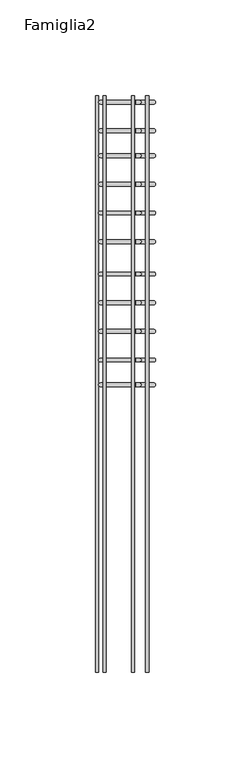
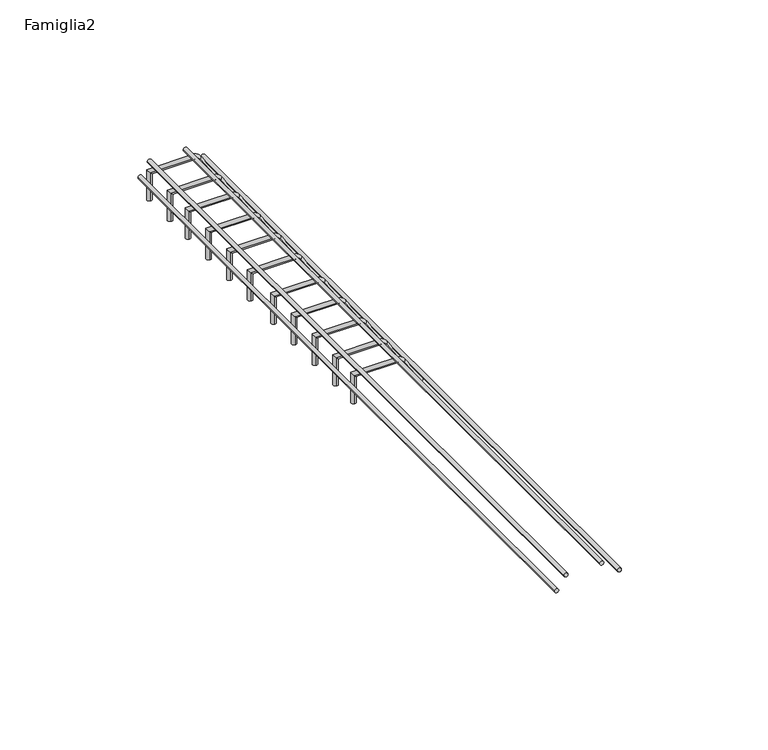
"""IFC4 building model written with IfcOpenShell, lengths in millimetres: proxy geometry, Famiglia2."""

from ifc_helpers import new_model, si_unit, point, frame, frame_2d, origin, place, context, project, spatial, circle_curve, ellipse_curve, trimmed, segment, composite_curve, outline, extrude, source, transform, mapped, element, save
from ifc_brep_helpers import plane_surface, cylinder_surface, revolved_surface, advanced_brep


def famiglia2_f5a93794(model_context):
    return source(origin(), model_context, "Body", "SolidModel", [
        extrude(outline(composite_curve([segment(trimmed(circle_curve(frame_2d((14.1375712, -11.9652947)), 0.8513861), [point((14.1375712, -12.8166808))], [point((14.1375712, -11.1139086))], False, "CARTESIAN"), True, "CONTINUOUS"), segment(trimmed(circle_curve(frame_2d((14.1375712, -11.9652947)), 0.8513861), [point((14.1375712, -11.1139086))], [point((14.1375712, -12.8166808))], False, "CARTESIAN"), True, "CONTINUOUS")], self_intersect=False)), frame((0.0, -2.5075389, 0.0), z_axis=(0.0, 1.0, 0.0), x_axis=(0.0, 0.0, 1.0)), (0.0, 0.0, 1.0), 301.9488903),
        extrude(outline(composite_curve([segment(trimmed(circle_curve(frame_2d((14.1375712, 3.0347053)), 0.8513861), [point((14.1375712, 2.1833192))], [point((14.1375712, 3.8860914))], False, "CARTESIAN"), True, "CONTINUOUS"), segment(trimmed(circle_curve(frame_2d((14.1375712, 3.0347053)), 0.8513861), [point((14.1375712, 3.8860914))], [point((14.1375712, 2.1833192))], False, "CARTESIAN"), True, "CONTINUOUS")], self_intersect=False)), frame((0.0, -2.5075389, 0.0), z_axis=(0.0, 1.0, 0.0), x_axis=(0.0, 0.0, 1.0)), (0.0, 0.0, 1.0), 301.9488903),
        extrude(outline(composite_curve([segment(trimmed(circle_curve(frame_2d((8.5107405, -15.905244)), 0.8513861), [point((8.5107405, -16.7566301))], [point((8.5107405, -15.0538579))], False, "CARTESIAN"), True, "CONTINUOUS"), segment(trimmed(circle_curve(frame_2d((8.5107405, -15.905244)), 0.8513861), [point((8.5107405, -15.0538579))], [point((8.5107405, -16.7566301))], False, "CARTESIAN"), True, "CONTINUOUS")], self_intersect=False)), frame((0.0, -2.5075389, 0.0), z_axis=(0.0, 1.0, 0.0), x_axis=(0.0, 0.0, 1.0)), (0.0, 0.0, 1.0), 301.9488903),
        extrude(outline(composite_curve([segment(trimmed(circle_curve(frame_2d((8.5107405, 10.4066697)), 0.8513861), [point((8.5107405, 9.5552836))], [point((8.5107405, 11.2580558))], False, "CARTESIAN"), True, "CONTINUOUS"), segment(trimmed(circle_curve(frame_2d((8.5107405, 10.4066697)), 0.8513861), [point((8.5107405, 11.2580558))], [point((8.5107405, 9.5552836))], False, "CARTESIAN"), True, "CONTINUOUS")], self_intersect=False)), frame((0.0, -2.5075389, 0.0), z_axis=(0.0, 1.0, 0.0), x_axis=(0.0, 0.0, 1.0)), (0.0, 0.0, 1.0), 301.9488903),
        advanced_brep(
        [(13.9971981, 295.0, 0.0), (13.9971981, 297.0, 0.0), (6.7445163, 295.0, 11.0041321), (6.7445163, 297.0, 11.0041321), (4.4589386, 297.0, 12.3239266), (4.4589386, 295.0, 12.3239266), (-13.9971981, 295.0, 12.3239266), (-13.9971981, 297.0, 12.3239266), (-13.9971981, 295.0, 0.0), (-13.9971981, 297.0, 0.0)],
        [
            (0, 1, circle_curve(frame((13.9971981, 296.0, 0.0), z_axis=(0.5503111593237686, 0.0, -0.834959656464748), x_axis=(0.0, 1.0, 0.0)), 1.0)),
            (1, 0, circle_curve(frame((13.9971981, 296.0, 0.0), z_axis=(0.5503111593237686, 0.0, -0.834959656464748), x_axis=(0.0, 1.0, 0.0)), 1.0)),
            (0, 2),
            (2, 3, circle_curve(frame((6.7445163, 296.0, 11.0041321), z_axis=(0.5503111593237686, 0.0, -0.834959656464748), x_axis=(0.0, 1.0, 0.0)), 1.0)),
            (3, 1),
            (3, 2, circle_curve(frame((6.7445163, 296.0, 11.0041321), z_axis=(0.5503111593237686, 0.0, -0.834959656464748), x_axis=(0.0, 1.0, 0.0)), 1.0)),
            (4, 3, circle_curve(frame((4.2843786, 297.0, 9.382687), z_axis=(0.0, 1.0, 0.0), x_axis=(0.8349596564647481, 0.0, 0.5503111593237683)), 2.9464151)),
            (2, 5, circle_curve(frame((4.2843786, 295.0, 9.382687), z_axis=(0.0, -1.0, 0.0), x_axis=(0.8349596564647481, 0.0, 0.5503111593237683)), 2.9464151)),
            (5, 4, circle_curve(frame((4.4589386, 296.0, 12.3239266), z_axis=(0.9982434781782655, 0.0, -0.0592449008317088), x_axis=(0.0, 1.0, 0.0)), 1.0)),
            (4, 5, circle_curve(frame((4.4589386, 296.0, 12.3239266), z_axis=(0.9982434781782653, 0.0, -0.05924490083170941), x_axis=(0.0, 1.0, 0.0)), 1.0)),
            (5, 6),
            (6, 7, ellipse_curve(frame((-13.9971981, 296.0, 12.3239266), z_axis=(0.7071067811865486, 0.0, 0.7071067811865465), x_axis=(0.7071067811865466, 0.0, -0.7071067811865485)), 1.4142136, 1.0)),
            (7, 4),
            (7, 6, ellipse_curve(frame((-13.9971981, 296.0, 12.3239266), z_axis=(0.7071067811865486, 0.0, 0.7071067811865465), x_axis=(0.7071067811865466, 0.0, -0.7071067811865485)), 1.4142136, 1.0)),
            (8, 9, circle_curve(frame((-13.9971981, 296.0, 0.0), z_axis=(0.0, 0.0, -1.0), x_axis=(0.0, 1.0, 0.0)), 1.0)),
            (9, 8, circle_curve(frame((-13.9971981, 296.0, 0.0), z_axis=(0.0, 0.0, -1.0), x_axis=(0.0, 1.0, 0.0)), 1.0)),
            (6, 8),
            (9, 7),
        ],
        [
            plane_surface(frame((13.9971981, 296.0, 0.0), z_axis=(0.5503111593237686, 0.0, -0.834959656464748), x_axis=(0.0, -1.0, 0.0))),
            cylinder_surface(frame((13.9971981, 296.0, 0.0), z_axis=(0.5503111593237686, 0.0, -0.834959656464748), x_axis=(0.0, 1.0, 0.0)), 1.0),
            revolved_surface(trimmed(ellipse_curve(frame((6.7445163, 296.0, 11.0041321), z_axis=(0.5503111593237683, 0.0, -0.8349596564647481), x_axis=(0.0, 1.0, 0.0)), 1.0, 1.0), [point((6.7445163, 295.0, 11.0041321))], [point((6.7445163, 297.0, 11.0041321))], True, "CARTESIAN"), (4.2843786, 296.0, 9.382687), (0.0, -1.0, 0.0)),
            revolved_surface(trimmed(ellipse_curve(frame((6.7445163, 296.0, 11.0041321), z_axis=(0.5503111593237683, 0.0, -0.8349596564647481), x_axis=(0.0, 1.0, 0.0)), 1.0, 1.0), [point((6.7445163, 297.0, 11.0041321))], [point((6.7445163, 295.0, 11.0041321))], True, "CARTESIAN"), (4.2843786, 296.0, 9.382687), (0.0, -1.0, 0.0)),
            cylinder_surface(frame((4.4589386, 296.0, 12.3239266), z_axis=(1.0, 0.0, 0.0), x_axis=(0.0, 1.0, 0.0)), 1.0),
            plane_surface(frame((-13.9971981, 296.0, 0.0), z_axis=(0.0, 0.0, -1.0), x_axis=(0.0, -1.0, 0.0))),
            cylinder_surface(frame((-13.9971981, 296.0, 12.3239266), z_axis=(0.0, 0.0, 1.0), x_axis=(0.0, 1.0, 0.0)), 1.0),
        ],
        [
            (0, [[1, 2]]),
            (1, [[-1, 3, 4, 5]]),
            (1, [[-2, -5, 6, -3]]),
            (2, [[7, -4, 8, 9]]),
            (3, [[-8, -6, -7, 10]]),
            (4, [[-9, 11, 12, 13]]),
            (4, [[-10, -13, 14, -11]]),
            (5, [[15, 16]]),
            (6, [[-12, 17, -16, 18]]),
            (6, [[-14, -18, -15, -17]]),
        ],
    ),
        advanced_brep(
        [(13.9971981, 280.0, 0.0), (13.9971981, 282.0, 0.0), (6.7445163, 280.0, 11.0041321), (6.7445163, 282.0, 11.0041321), (4.4589386, 282.0, 12.3239266), (4.4589386, 280.0, 12.3239266), (-13.9971981, 280.0, 12.3239266), (-13.9971981, 282.0, 12.3239266), (-13.9971981, 280.0, 0.0), (-13.9971981, 282.0, 0.0)],
        [
            (0, 1, circle_curve(frame((13.9971981, 281.0, 0.0), z_axis=(0.5503111593237686, 0.0, -0.834959656464748), x_axis=(0.0, 1.0, 0.0)), 1.0)),
            (1, 0, circle_curve(frame((13.9971981, 281.0, 0.0), z_axis=(0.5503111593237686, 0.0, -0.834959656464748), x_axis=(0.0, 1.0, 0.0)), 1.0)),
            (0, 2),
            (2, 3, circle_curve(frame((6.7445163, 281.0, 11.0041321), z_axis=(0.5503111593237686, 0.0, -0.834959656464748), x_axis=(0.0, 1.0, 0.0)), 1.0)),
            (3, 1),
            (3, 2, circle_curve(frame((6.7445163, 281.0, 11.0041321), z_axis=(0.5503111593237686, 0.0, -0.834959656464748), x_axis=(0.0, 1.0, 0.0)), 1.0)),
            (4, 3, circle_curve(frame((4.2843786, 282.0, 9.382687), z_axis=(0.0, 1.0, 0.0), x_axis=(0.8349596564647481, 0.0, 0.5503111593237683)), 2.9464151)),
            (2, 5, circle_curve(frame((4.2843786, 280.0, 9.382687), z_axis=(0.0, -1.0, 0.0), x_axis=(0.8349596564647481, 0.0, 0.5503111593237683)), 2.9464151)),
            (5, 4, circle_curve(frame((4.4589386, 281.0, 12.3239266), z_axis=(0.9982434781782654, 0.0, -0.0592449008317083), x_axis=(0.0, 1.0, 0.0)), 1.0)),
            (4, 5, circle_curve(frame((4.4589386, 281.0, 12.3239266), z_axis=(0.9982434781782654, 0.0, -0.059244900831709246), x_axis=(0.0, 1.0, 0.0)), 1.0)),
            (5, 6),
            (6, 7, ellipse_curve(frame((-13.9971981, 281.0, 12.3239266), z_axis=(0.7071067811865486, 0.0, 0.7071067811865465), x_axis=(0.7071067811865466, 0.0, -0.7071067811865485)), 1.4142136, 1.0)),
            (7, 4),
            (7, 6, ellipse_curve(frame((-13.9971981, 281.0, 12.3239266), z_axis=(0.7071067811865486, 0.0, 0.7071067811865465), x_axis=(0.7071067811865466, 0.0, -0.7071067811865485)), 1.4142136, 1.0)),
            (8, 9, circle_curve(frame((-13.9971981, 281.0, 0.0), z_axis=(0.0, 0.0, -1.0), x_axis=(0.0, 1.0, 0.0)), 1.0)),
            (9, 8, circle_curve(frame((-13.9971981, 281.0, 0.0), z_axis=(0.0, 0.0, -1.0), x_axis=(0.0, 1.0, 0.0)), 1.0)),
            (6, 8),
            (9, 7),
        ],
        [
            plane_surface(frame((13.9971981, 281.0, 0.0), z_axis=(0.5503111593237686, 0.0, -0.834959656464748), x_axis=(0.0, -1.0, 0.0))),
            cylinder_surface(frame((13.9971981, 281.0, 0.0), z_axis=(0.5503111593237686, 0.0, -0.834959656464748), x_axis=(0.0, 1.0, 0.0)), 1.0),
            revolved_surface(trimmed(ellipse_curve(frame((6.7445163, 281.0, 11.0041321), z_axis=(0.5503111593237683, 0.0, -0.8349596564647481), x_axis=(0.0, 1.0, 0.0)), 1.0, 1.0), [point((6.7445163, 280.0, 11.0041321))], [point((6.7445163, 282.0, 11.0041321))], True, "CARTESIAN"), (4.2843786, 281.0, 9.382687), (0.0, -1.0, 0.0)),
            revolved_surface(trimmed(ellipse_curve(frame((6.7445163, 281.0, 11.0041321), z_axis=(0.5503111593237683, 0.0, -0.8349596564647481), x_axis=(0.0, 1.0, 0.0)), 1.0, 1.0), [point((6.7445163, 282.0, 11.0041321))], [point((6.7445163, 280.0, 11.0041321))], True, "CARTESIAN"), (4.2843786, 281.0, 9.382687), (0.0, -1.0, 0.0)),
            cylinder_surface(frame((4.4589386, 281.0, 12.3239266), z_axis=(1.0, 0.0, 0.0), x_axis=(0.0, 1.0, 0.0)), 1.0),
            plane_surface(frame((-13.9971981, 281.0, 0.0), z_axis=(0.0, 0.0, -1.0), x_axis=(0.0, -1.0, 0.0))),
            cylinder_surface(frame((-13.9971981, 281.0, 12.3239266), z_axis=(0.0, 0.0, 1.0), x_axis=(0.0, 1.0, 0.0)), 1.0),
        ],
        [
            (0, [[1, 2]]),
            (1, [[-1, 3, 4, 5]]),
            (1, [[-2, -5, 6, -3]]),
            (2, [[7, -4, 8, 9]]),
            (3, [[-8, -6, -7, 10]]),
            (4, [[-9, 11, 12, 13]]),
            (4, [[-10, -13, 14, -11]]),
            (5, [[15, 16]]),
            (6, [[-12, 17, -16, 18]]),
            (6, [[-14, -18, -15, -17]]),
        ],
    ),
        advanced_brep(
        [(13.9971981, 267.0, 0.0), (13.9971981, 269.0, 0.0), (6.7445163, 267.0, 11.0041321), (6.7445163, 269.0, 11.0041321), (4.4589386, 269.0, 12.3239266), (4.4589386, 267.0, 12.3239266), (-13.9971981, 267.0, 12.3239266), (-13.9971981, 269.0, 12.3239266), (-13.9971981, 267.0, 0.0), (-13.9971981, 269.0, 0.0)],
        [
            (0, 1, circle_curve(frame((13.9971981, 268.0, 0.0), z_axis=(0.5503111593237686, 0.0, -0.834959656464748), x_axis=(0.0, 1.0, 0.0)), 1.0)),
            (1, 0, circle_curve(frame((13.9971981, 268.0, 0.0), z_axis=(0.5503111593237686, 0.0, -0.834959656464748), x_axis=(0.0, 1.0, 0.0)), 1.0)),
            (0, 2),
            (2, 3, circle_curve(frame((6.7445163, 268.0, 11.0041321), z_axis=(0.5503111593237686, 0.0, -0.834959656464748), x_axis=(0.0, 1.0, 0.0)), 1.0)),
            (3, 1),
            (3, 2, circle_curve(frame((6.7445163, 268.0, 11.0041321), z_axis=(0.5503111593237686, 0.0, -0.834959656464748), x_axis=(0.0, 1.0, 0.0)), 1.0)),
            (4, 3, circle_curve(frame((4.2843786, 269.0, 9.382687), z_axis=(0.0, 1.0, 0.0), x_axis=(0.8349596564647481, 0.0, 0.5503111593237683)), 2.9464151)),
            (2, 5, circle_curve(frame((4.2843786, 267.0, 9.382687), z_axis=(0.0, -1.0, 0.0), x_axis=(0.8349596564647481, 0.0, 0.5503111593237683)), 2.9464151)),
            (5, 4, circle_curve(frame((4.4589386, 268.0, 12.3239266), z_axis=(0.9982434781782655, 0.0, -0.0592449008317088), x_axis=(0.0, 1.0, 0.0)), 1.0)),
            (4, 5, circle_curve(frame((4.4589386, 268.0, 12.3239266), z_axis=(0.9982434781782653, 0.0, -0.05924490083170941), x_axis=(0.0, 1.0, 0.0)), 1.0)),
            (5, 6),
            (6, 7, ellipse_curve(frame((-13.9971981, 268.0, 12.3239266), z_axis=(0.7071067811865486, 0.0, 0.7071067811865465), x_axis=(0.7071067811865466, 0.0, -0.7071067811865485)), 1.4142136, 1.0)),
            (7, 4),
            (7, 6, ellipse_curve(frame((-13.9971981, 268.0, 12.3239266), z_axis=(0.7071067811865486, 0.0, 0.7071067811865465), x_axis=(0.7071067811865466, 0.0, -0.7071067811865485)), 1.4142136, 1.0)),
            (8, 9, circle_curve(frame((-13.9971981, 268.0, 0.0), z_axis=(0.0, 0.0, -1.0), x_axis=(0.0, 1.0, 0.0)), 1.0)),
            (9, 8, circle_curve(frame((-13.9971981, 268.0, 0.0), z_axis=(0.0, 0.0, -1.0), x_axis=(0.0, 1.0, 0.0)), 1.0)),
            (6, 8),
            (9, 7),
        ],
        [
            plane_surface(frame((13.9971981, 268.0, 0.0), z_axis=(0.5503111593237686, 0.0, -0.834959656464748), x_axis=(0.0, -1.0, 0.0))),
            cylinder_surface(frame((13.9971981, 268.0, 0.0), z_axis=(0.5503111593237686, 0.0, -0.834959656464748), x_axis=(0.0, 1.0, 0.0)), 1.0),
            revolved_surface(trimmed(ellipse_curve(frame((6.7445163, 268.0, 11.0041321), z_axis=(0.5503111593237683, 0.0, -0.8349596564647481), x_axis=(0.0, 1.0, 0.0)), 1.0, 1.0), [point((6.7445163, 267.0, 11.0041321))], [point((6.7445163, 269.0, 11.0041321))], True, "CARTESIAN"), (4.2843786, 268.0, 9.382687), (0.0, -1.0, 0.0)),
            revolved_surface(trimmed(ellipse_curve(frame((6.7445163, 268.0, 11.0041321), z_axis=(0.5503111593237683, 0.0, -0.8349596564647481), x_axis=(0.0, 1.0, 0.0)), 1.0, 1.0), [point((6.7445163, 269.0, 11.0041321))], [point((6.7445163, 267.0, 11.0041321))], True, "CARTESIAN"), (4.2843786, 268.0, 9.382687), (0.0, -1.0, 0.0)),
            cylinder_surface(frame((4.4589386, 268.0, 12.3239266), z_axis=(1.0, 0.0, 0.0), x_axis=(0.0, 1.0, 0.0)), 1.0),
            plane_surface(frame((-13.9971981, 268.0, 0.0), z_axis=(0.0, 0.0, -1.0), x_axis=(0.0, -1.0, 0.0))),
            cylinder_surface(frame((-13.9971981, 268.0, 12.3239266), z_axis=(0.0, 0.0, 1.0), x_axis=(0.0, 1.0, 0.0)), 1.0),
        ],
        [
            (0, [[1, 2]]),
            (1, [[-1, 3, 4, 5]]),
            (1, [[-2, -5, 6, -3]]),
            (2, [[7, -4, 8, 9]]),
            (3, [[-8, -6, -7, 10]]),
            (4, [[-9, 11, 12, 13]]),
            (4, [[-10, -13, 14, -11]]),
            (5, [[15, 16]]),
            (6, [[-12, 17, -16, 18]]),
            (6, [[-14, -18, -15, -17]]),
        ],
    ),
        advanced_brep(
        [(13.9971981, 252.0, 0.0), (13.9971981, 254.0, 0.0), (6.7445163, 252.0, 11.0041321), (6.7445163, 254.0, 11.0041321), (4.4589386, 254.0, 12.3239266), (4.4589386, 252.0, 12.3239266), (-13.9971981, 252.0, 12.3239266), (-13.9971981, 254.0, 12.3239266), (-13.9971981, 252.0, 0.0), (-13.9971981, 254.0, 0.0)],
        [
            (0, 1, circle_curve(frame((13.9971981, 253.0, 0.0), z_axis=(0.5503111593237686, 0.0, -0.834959656464748), x_axis=(0.0, 1.0, 0.0)), 1.0)),
            (1, 0, circle_curve(frame((13.9971981, 253.0, 0.0), z_axis=(0.5503111593237686, 0.0, -0.834959656464748), x_axis=(0.0, 1.0, 0.0)), 1.0)),
            (0, 2),
            (2, 3, circle_curve(frame((6.7445163, 253.0, 11.0041321), z_axis=(0.5503111593237686, 0.0, -0.834959656464748), x_axis=(0.0, 1.0, 0.0)), 1.0)),
            (3, 1),
            (3, 2, circle_curve(frame((6.7445163, 253.0, 11.0041321), z_axis=(0.5503111593237686, 0.0, -0.834959656464748), x_axis=(0.0, 1.0, 0.0)), 1.0)),
            (4, 3, circle_curve(frame((4.2843786, 254.0, 9.382687), z_axis=(0.0, 1.0, 0.0), x_axis=(0.8349596564647481, 0.0, 0.5503111593237683)), 2.9464151)),
            (2, 5, circle_curve(frame((4.2843786, 252.0, 9.382687), z_axis=(0.0, -1.0, 0.0), x_axis=(0.8349596564647481, 0.0, 0.5503111593237683)), 2.9464151)),
            (5, 4, circle_curve(frame((4.4589386, 253.0, 12.3239266), z_axis=(0.9982434781782654, 0.0, -0.05924490083170869), x_axis=(0.0, 1.0, 0.0)), 1.0)),
            (4, 5, circle_curve(frame((4.4589386, 253.0, 12.3239266), z_axis=(0.9982434781782654, 0.0, -0.059244900831709246), x_axis=(0.0, 1.0, 0.0)), 1.0)),
            (5, 6),
            (6, 7, ellipse_curve(frame((-13.9971981, 253.0, 12.3239266), z_axis=(0.7071067811865486, 0.0, 0.7071067811865465), x_axis=(0.7071067811865466, 0.0, -0.7071067811865485)), 1.4142136, 1.0)),
            (7, 4),
            (7, 6, ellipse_curve(frame((-13.9971981, 253.0, 12.3239266), z_axis=(0.7071067811865486, 0.0, 0.7071067811865465), x_axis=(0.7071067811865466, 0.0, -0.7071067811865485)), 1.4142136, 1.0)),
            (8, 9, circle_curve(frame((-13.9971981, 253.0, 0.0), z_axis=(0.0, 0.0, -1.0), x_axis=(0.0, 1.0, 0.0)), 1.0)),
            (9, 8, circle_curve(frame((-13.9971981, 253.0, 0.0), z_axis=(0.0, 0.0, -1.0), x_axis=(0.0, 1.0, 0.0)), 1.0)),
            (6, 8),
            (9, 7),
        ],
        [
            plane_surface(frame((13.9971981, 253.0, 0.0), z_axis=(0.5503111593237686, 0.0, -0.834959656464748), x_axis=(0.0, -1.0, 0.0))),
            cylinder_surface(frame((13.9971981, 253.0, 0.0), z_axis=(0.5503111593237686, 0.0, -0.834959656464748), x_axis=(0.0, 1.0, 0.0)), 1.0),
            revolved_surface(trimmed(ellipse_curve(frame((6.7445163, 253.0, 11.0041321), z_axis=(0.5503111593237683, 0.0, -0.8349596564647481), x_axis=(0.0, 1.0, 0.0)), 1.0, 1.0), [point((6.7445163, 252.0, 11.0041321))], [point((6.7445163, 254.0, 11.0041321))], True, "CARTESIAN"), (4.2843786, 253.0, 9.382687), (0.0, -1.0, 0.0)),
            revolved_surface(trimmed(ellipse_curve(frame((6.7445163, 253.0, 11.0041321), z_axis=(0.5503111593237683, 0.0, -0.8349596564647481), x_axis=(0.0, 1.0, 0.0)), 1.0, 1.0), [point((6.7445163, 254.0, 11.0041321))], [point((6.7445163, 252.0, 11.0041321))], True, "CARTESIAN"), (4.2843786, 253.0, 9.382687), (0.0, -1.0, 0.0)),
            cylinder_surface(frame((4.4589386, 253.0, 12.3239266), z_axis=(1.0, 0.0, 0.0), x_axis=(0.0, 1.0, 0.0)), 1.0),
            plane_surface(frame((-13.9971981, 253.0, 0.0), z_axis=(0.0, 0.0, -1.0), x_axis=(0.0, -1.0, 0.0))),
            cylinder_surface(frame((-13.9971981, 253.0, 12.3239266), z_axis=(0.0, 0.0, 1.0), x_axis=(0.0, 1.0, 0.0)), 1.0),
        ],
        [
            (0, [[1, 2]]),
            (1, [[-1, 3, 4, 5]]),
            (1, [[-2, -5, 6, -3]]),
            (2, [[7, -4, 8, 9]]),
            (3, [[-8, -6, -7, 10]]),
            (4, [[-9, 11, 12, 13]]),
            (4, [[-10, -13, 14, -11]]),
            (5, [[15, 16]]),
            (6, [[-12, 17, -16, 18]]),
            (6, [[-14, -18, -15, -17]]),
        ],
    ),
        advanced_brep(
        [(13.9971981, 237.0, 0.0), (13.9971981, 239.0, 0.0), (6.7445163, 237.0, 11.0041321), (6.7445163, 239.0, 11.0041321), (4.4589386, 239.0, 12.3239266), (4.4589386, 237.0, 12.3239266), (-13.9971981, 237.0, 12.3239266), (-13.9971981, 239.0, 12.3239266), (-13.9971981, 237.0, 0.0), (-13.9971981, 239.0, 0.0)],
        [
            (0, 1, circle_curve(frame((13.9971981, 238.0, 0.0), z_axis=(0.5503111593237686, 0.0, -0.834959656464748), x_axis=(0.0, 1.0, 0.0)), 1.0)),
            (1, 0, circle_curve(frame((13.9971981, 238.0, 0.0), z_axis=(0.5503111593237686, 0.0, -0.834959656464748), x_axis=(0.0, 1.0, 0.0)), 1.0)),
            (0, 2),
            (2, 3, circle_curve(frame((6.7445163, 238.0, 11.0041321), z_axis=(0.5503111593237686, 0.0, -0.834959656464748), x_axis=(0.0, 1.0, 0.0)), 1.0)),
            (3, 1),
            (3, 2, circle_curve(frame((6.7445163, 238.0, 11.0041321), z_axis=(0.5503111593237686, 0.0, -0.834959656464748), x_axis=(0.0, 1.0, 0.0)), 1.0)),
            (4, 3, circle_curve(frame((4.2843786, 239.0, 9.382687), z_axis=(0.0, 1.0, 0.0), x_axis=(0.8349596564647481, 0.0, 0.5503111593237683)), 2.9464151)),
            (2, 5, circle_curve(frame((4.2843786, 237.0, 9.382687), z_axis=(0.0, -1.0, 0.0), x_axis=(0.8349596564647481, 0.0, 0.5503111593237683)), 2.9464151)),
            (5, 4, circle_curve(frame((4.4589386, 238.0, 12.3239266), z_axis=(0.9982434781782654, 0.0, -0.05924490083170897), x_axis=(0.0, 1.0, 0.0)), 1.0)),
            (4, 5, circle_curve(frame((4.4589386, 238.0, 12.3239266), z_axis=(0.9982434781782654, 0.0, -0.059244900831708136), x_axis=(0.0, 1.0, 0.0)), 1.0)),
            (5, 6),
            (6, 7, ellipse_curve(frame((-13.9971981, 238.0, 12.3239266), z_axis=(0.7071067811865486, 0.0, 0.7071067811865465), x_axis=(0.7071067811865466, 0.0, -0.7071067811865485)), 1.4142136, 1.0)),
            (7, 4),
            (7, 6, ellipse_curve(frame((-13.9971981, 238.0, 12.3239266), z_axis=(0.7071067811865486, 0.0, 0.7071067811865465), x_axis=(0.7071067811865466, 0.0, -0.7071067811865485)), 1.4142136, 1.0)),
            (8, 9, circle_curve(frame((-13.9971981, 238.0, 0.0), z_axis=(0.0, 0.0, -1.0), x_axis=(0.0, 1.0, 0.0)), 1.0)),
            (9, 8, circle_curve(frame((-13.9971981, 238.0, 0.0), z_axis=(0.0, 0.0, -1.0), x_axis=(0.0, 1.0, 0.0)), 1.0)),
            (6, 8),
            (9, 7),
        ],
        [
            plane_surface(frame((13.9971981, 238.0, 0.0), z_axis=(0.5503111593237686, 0.0, -0.834959656464748), x_axis=(0.0, -1.0, 0.0))),
            cylinder_surface(frame((13.9971981, 238.0, 0.0), z_axis=(0.5503111593237686, 0.0, -0.834959656464748), x_axis=(0.0, 1.0, 0.0)), 1.0),
            revolved_surface(trimmed(ellipse_curve(frame((6.7445163, 238.0, 11.0041321), z_axis=(0.5503111593237683, 0.0, -0.8349596564647481), x_axis=(0.0, 1.0, 0.0)), 1.0, 1.0), [point((6.7445163, 237.0, 11.0041321))], [point((6.7445163, 239.0, 11.0041321))], True, "CARTESIAN"), (4.2843786, 238.0, 9.382687), (0.0, -1.0, 0.0)),
            revolved_surface(trimmed(ellipse_curve(frame((6.7445163, 238.0, 11.0041321), z_axis=(0.5503111593237683, 0.0, -0.8349596564647481), x_axis=(0.0, 1.0, 0.0)), 1.0, 1.0), [point((6.7445163, 239.0, 11.0041321))], [point((6.7445163, 237.0, 11.0041321))], True, "CARTESIAN"), (4.2843786, 238.0, 9.382687), (0.0, -1.0, 0.0)),
            cylinder_surface(frame((4.4589386, 238.0, 12.3239266), z_axis=(1.0, 0.0, 0.0), x_axis=(0.0, 1.0, 0.0)), 1.0),
            plane_surface(frame((-13.9971981, 238.0, 0.0), z_axis=(0.0, 0.0, -1.0), x_axis=(0.0, -1.0, 0.0))),
            cylinder_surface(frame((-13.9971981, 238.0, 12.3239266), z_axis=(0.0, 0.0, 1.0), x_axis=(0.0, 1.0, 0.0)), 1.0),
        ],
        [
            (0, [[1, 2]]),
            (1, [[-1, 3, 4, 5]]),
            (1, [[-2, -5, 6, -3]]),
            (2, [[7, -4, 8, 9]]),
            (3, [[-8, -6, -7, 10]]),
            (4, [[-9, 11, 12, 13]]),
            (4, [[-10, -13, 14, -11]]),
            (5, [[15, 16]]),
            (6, [[-12, 17, -16, 18]]),
            (6, [[-14, -18, -15, -17]]),
        ],
    ),
        advanced_brep(
        [(13.9971981, 222.0, 0.0), (13.9971981, 224.0, 0.0), (6.7445163, 222.0, 11.0041321), (6.7445163, 224.0, 11.0041321), (4.4589386, 224.0, 12.3239266), (4.4589386, 222.0, 12.3239266), (-13.9971981, 222.0, 12.3239266), (-13.9971981, 224.0, 12.3239266), (-13.9971981, 222.0, 0.0), (-13.9971981, 224.0, 0.0)],
        [
            (0, 1, circle_curve(frame((13.9971981, 223.0, 0.0), z_axis=(0.5503111593237686, 0.0, -0.834959656464748), x_axis=(0.0, 1.0, 0.0)), 1.0)),
            (1, 0, circle_curve(frame((13.9971981, 223.0, 0.0), z_axis=(0.5503111593237686, 0.0, -0.834959656464748), x_axis=(0.0, 1.0, 0.0)), 1.0)),
            (0, 2),
            (2, 3, circle_curve(frame((6.7445163, 223.0, 11.0041321), z_axis=(0.5503111593237686, 0.0, -0.834959656464748), x_axis=(0.0, 1.0, 0.0)), 1.0)),
            (3, 1),
            (3, 2, circle_curve(frame((6.7445163, 223.0, 11.0041321), z_axis=(0.5503111593237686, 0.0, -0.834959656464748), x_axis=(0.0, 1.0, 0.0)), 1.0)),
            (4, 3, circle_curve(frame((4.2843786, 224.0, 9.382687), z_axis=(0.0, 1.0, 0.0), x_axis=(0.8349596564647481, 0.0, 0.5503111593237683)), 2.9464151)),
            (2, 5, circle_curve(frame((4.2843786, 222.0, 9.382687), z_axis=(0.0, -1.0, 0.0), x_axis=(0.8349596564647481, 0.0, 0.5503111593237683)), 2.9464151)),
            (5, 4, circle_curve(frame((4.4589386, 223.0, 12.3239266), z_axis=(0.9982434781782655, 0.0, -0.0592449008317088), x_axis=(0.0, 1.0, 0.0)), 1.0)),
            (4, 5, circle_curve(frame((4.4589386, 223.0, 12.3239266), z_axis=(0.9982434781782654, 0.0, -0.059244900831708525), x_axis=(0.0, 1.0, 0.0)), 1.0)),
            (5, 6),
            (6, 7, ellipse_curve(frame((-13.9971981, 223.0, 12.3239266), z_axis=(0.7071067811865486, 0.0, 0.7071067811865465), x_axis=(0.7071067811865466, 0.0, -0.7071067811865485)), 1.4142136, 1.0)),
            (7, 4),
            (7, 6, ellipse_curve(frame((-13.9971981, 223.0, 12.3239266), z_axis=(0.7071067811865486, 0.0, 0.7071067811865465), x_axis=(0.7071067811865466, 0.0, -0.7071067811865485)), 1.4142136, 1.0)),
            (8, 9, circle_curve(frame((-13.9971981, 223.0, 0.0), z_axis=(0.0, 0.0, -1.0), x_axis=(0.0, 1.0, 0.0)), 1.0)),
            (9, 8, circle_curve(frame((-13.9971981, 223.0, 0.0), z_axis=(0.0, 0.0, -1.0), x_axis=(0.0, 1.0, 0.0)), 1.0)),
            (6, 8),
            (9, 7),
        ],
        [
            plane_surface(frame((13.9971981, 223.0, 0.0), z_axis=(0.5503111593237686, 0.0, -0.834959656464748), x_axis=(0.0, -1.0, 0.0))),
            cylinder_surface(frame((13.9971981, 223.0, 0.0), z_axis=(0.5503111593237686, 0.0, -0.834959656464748), x_axis=(0.0, 1.0, 0.0)), 1.0),
            revolved_surface(trimmed(ellipse_curve(frame((6.7445163, 223.0, 11.0041321), z_axis=(0.5503111593237683, 0.0, -0.8349596564647481), x_axis=(0.0, 1.0, 0.0)), 1.0, 1.0), [point((6.7445163, 222.0, 11.0041321))], [point((6.7445163, 224.0, 11.0041321))], True, "CARTESIAN"), (4.2843786, 223.0, 9.382687), (0.0, -1.0, 0.0)),
            revolved_surface(trimmed(ellipse_curve(frame((6.7445163, 223.0, 11.0041321), z_axis=(0.5503111593237683, 0.0, -0.8349596564647481), x_axis=(0.0, 1.0, 0.0)), 1.0, 1.0), [point((6.7445163, 224.0, 11.0041321))], [point((6.7445163, 222.0, 11.0041321))], True, "CARTESIAN"), (4.2843786, 223.0, 9.382687), (0.0, -1.0, 0.0)),
            cylinder_surface(frame((4.4589386, 223.0, 12.3239266), z_axis=(1.0, 0.0, 0.0), x_axis=(0.0, 1.0, 0.0)), 1.0),
            plane_surface(frame((-13.9971981, 223.0, 0.0), z_axis=(0.0, 0.0, -1.0), x_axis=(0.0, -1.0, 0.0))),
            cylinder_surface(frame((-13.9971981, 223.0, 12.3239266), z_axis=(0.0, 0.0, 1.0), x_axis=(0.0, 1.0, 0.0)), 1.0),
        ],
        [
            (0, [[1, 2]]),
            (1, [[-1, 3, 4, 5]]),
            (1, [[-2, -5, 6, -3]]),
            (2, [[7, -4, 8, 9]]),
            (3, [[-8, -6, -7, 10]]),
            (4, [[-9, 11, 12, 13]]),
            (4, [[-10, -13, 14, -11]]),
            (5, [[15, 16]]),
            (6, [[-12, 17, -16, 18]]),
            (6, [[-14, -18, -15, -17]]),
        ],
    ),
        advanced_brep(
        [(13.9971981, 205.0, 0.0), (13.9971981, 207.0, 0.0), (6.7445163, 205.0, 11.0041321), (6.7445163, 207.0, 11.0041321), (4.4589386, 207.0, 12.3239266), (4.4589386, 205.0, 12.3239266), (-13.9971981, 205.0, 12.3239266), (-13.9971981, 207.0, 12.3239266), (-13.9971981, 205.0, 0.0), (-13.9971981, 207.0, 0.0)],
        [
            (0, 1, circle_curve(frame((13.9971981, 206.0, 0.0), z_axis=(0.5503111593237686, 0.0, -0.834959656464748), x_axis=(0.0, 1.0, 0.0)), 1.0)),
            (1, 0, circle_curve(frame((13.9971981, 206.0, 0.0), z_axis=(0.5503111593237686, 0.0, -0.834959656464748), x_axis=(0.0, 1.0, 0.0)), 1.0)),
            (0, 2),
            (2, 3, circle_curve(frame((6.7445163, 206.0, 11.0041321), z_axis=(0.5503111593237686, 0.0, -0.834959656464748), x_axis=(0.0, 1.0, 0.0)), 1.0)),
            (3, 1),
            (3, 2, circle_curve(frame((6.7445163, 206.0, 11.0041321), z_axis=(0.5503111593237686, 0.0, -0.834959656464748), x_axis=(0.0, 1.0, 0.0)), 1.0)),
            (4, 3, circle_curve(frame((4.2843786, 207.0, 9.382687), z_axis=(0.0, 1.0, 0.0), x_axis=(0.8349596564647481, 0.0, 0.5503111593237683)), 2.9464151)),
            (2, 5, circle_curve(frame((4.2843786, 205.0, 9.382687), z_axis=(0.0, -1.0, 0.0), x_axis=(0.8349596564647481, 0.0, 0.5503111593237683)), 2.9464151)),
            (5, 4, circle_curve(frame((4.4589386, 206.0, 12.3239266), z_axis=(0.9982434781782654, 0.0, -0.05924490083170869), x_axis=(0.0, 1.0, 0.0)), 1.0)),
            (4, 5, circle_curve(frame((4.4589386, 206.0, 12.3239266), z_axis=(0.9982434781782654, 0.0, -0.059244900831709246), x_axis=(0.0, 1.0, 0.0)), 1.0)),
            (5, 6),
            (6, 7, ellipse_curve(frame((-13.9971981, 206.0, 12.3239266), z_axis=(0.7071067811865486, 0.0, 0.7071067811865465), x_axis=(0.7071067811865466, 0.0, -0.7071067811865485)), 1.4142136, 1.0)),
            (7, 4),
            (7, 6, ellipse_curve(frame((-13.9971981, 206.0, 12.3239266), z_axis=(0.7071067811865486, 0.0, 0.7071067811865465), x_axis=(0.7071067811865466, 0.0, -0.7071067811865485)), 1.4142136, 1.0)),
            (8, 9, circle_curve(frame((-13.9971981, 206.0, 0.0), z_axis=(0.0, 0.0, -1.0), x_axis=(0.0, 1.0, 0.0)), 1.0)),
            (9, 8, circle_curve(frame((-13.9971981, 206.0, 0.0), z_axis=(0.0, 0.0, -1.0), x_axis=(0.0, 1.0, 0.0)), 1.0)),
            (6, 8),
            (9, 7),
        ],
        [
            plane_surface(frame((13.9971981, 206.0, 0.0), z_axis=(0.5503111593237686, 0.0, -0.834959656464748), x_axis=(0.0, -1.0, 0.0))),
            cylinder_surface(frame((13.9971981, 206.0, 0.0), z_axis=(0.5503111593237686, 0.0, -0.834959656464748), x_axis=(0.0, 1.0, 0.0)), 1.0),
            revolved_surface(trimmed(ellipse_curve(frame((6.7445163, 206.0, 11.0041321), z_axis=(0.5503111593237683, 0.0, -0.8349596564647481), x_axis=(0.0, 1.0, 0.0)), 1.0, 1.0), [point((6.7445163, 205.0, 11.0041321))], [point((6.7445163, 207.0, 11.0041321))], True, "CARTESIAN"), (4.2843786, 206.0, 9.382687), (0.0, -1.0, 0.0)),
            revolved_surface(trimmed(ellipse_curve(frame((6.7445163, 206.0, 11.0041321), z_axis=(0.5503111593237683, 0.0, -0.8349596564647481), x_axis=(0.0, 1.0, 0.0)), 1.0, 1.0), [point((6.7445163, 207.0, 11.0041321))], [point((6.7445163, 205.0, 11.0041321))], True, "CARTESIAN"), (4.2843786, 206.0, 9.382687), (0.0, -1.0, 0.0)),
            cylinder_surface(frame((4.4589386, 206.0, 12.3239266), z_axis=(1.0, 0.0, 0.0), x_axis=(0.0, 1.0, 0.0)), 1.0),
            plane_surface(frame((-13.9971981, 206.0, 0.0), z_axis=(0.0, 0.0, -1.0), x_axis=(0.0, -1.0, 0.0))),
            cylinder_surface(frame((-13.9971981, 206.0, 12.3239266), z_axis=(0.0, 0.0, 1.0), x_axis=(0.0, 1.0, 0.0)), 1.0),
        ],
        [
            (0, [[1, 2]]),
            (1, [[-1, 3, 4, 5]]),
            (1, [[-2, -5, 6, -3]]),
            (2, [[7, -4, 8, 9]]),
            (3, [[-8, -6, -7, 10]]),
            (4, [[-9, 11, 12, 13]]),
            (4, [[-10, -13, 14, -11]]),
            (5, [[15, 16]]),
            (6, [[-12, 17, -16, 18]]),
            (6, [[-14, -18, -15, -17]]),
        ],
    ),
        advanced_brep(
        [(13.9971981, 190.0, 0.0), (13.9971981, 192.0, 0.0), (6.7445163, 190.0, 11.0041321), (6.7445163, 192.0, 11.0041321), (4.4589386, 192.0, 12.3239266), (4.4589386, 190.0, 12.3239266), (-13.9971981, 190.0, 12.3239266), (-13.9971981, 192.0, 12.3239266), (-13.9971981, 190.0, 0.0), (-13.9971981, 192.0, 0.0)],
        [
            (0, 1, circle_curve(frame((13.9971981, 191.0, 0.0), z_axis=(0.5503111593237686, 0.0, -0.834959656464748), x_axis=(0.0, 1.0, 0.0)), 1.0)),
            (1, 0, circle_curve(frame((13.9971981, 191.0, 0.0), z_axis=(0.5503111593237686, 0.0, -0.834959656464748), x_axis=(0.0, 1.0, 0.0)), 1.0)),
            (0, 2),
            (2, 3, circle_curve(frame((6.7445163, 191.0, 11.0041321), z_axis=(0.5503111593237686, 0.0, -0.834959656464748), x_axis=(0.0, 1.0, 0.0)), 1.0)),
            (3, 1),
            (3, 2, circle_curve(frame((6.7445163, 191.0, 11.0041321), z_axis=(0.5503111593237686, 0.0, -0.834959656464748), x_axis=(0.0, 1.0, 0.0)), 1.0)),
            (4, 3, circle_curve(frame((4.2843786, 192.0, 9.382687), z_axis=(0.0, 1.0, 0.0), x_axis=(0.8349596564647481, 0.0, 0.5503111593237683)), 2.9464151)),
            (2, 5, circle_curve(frame((4.2843786, 190.0, 9.382687), z_axis=(0.0, -1.0, 0.0), x_axis=(0.8349596564647481, 0.0, 0.5503111593237683)), 2.9464151)),
            (5, 4, circle_curve(frame((4.4589386, 191.0, 12.3239266), z_axis=(0.9982434781782654, 0.0, -0.05924490083170869), x_axis=(0.0, 1.0, 0.0)), 1.0)),
            (4, 5, circle_curve(frame((4.4589386, 191.0, 12.3239266), z_axis=(0.9982434781782654, 0.0, -0.05924490083170897), x_axis=(0.0, 1.0, 0.0)), 1.0)),
            (5, 6),
            (6, 7, ellipse_curve(frame((-13.9971981, 191.0, 12.3239266), z_axis=(0.7071067811865486, 0.0, 0.7071067811865465), x_axis=(0.7071067811865466, 0.0, -0.7071067811865485)), 1.4142136, 1.0)),
            (7, 4),
            (7, 6, ellipse_curve(frame((-13.9971981, 191.0, 12.3239266), z_axis=(0.7071067811865486, 0.0, 0.7071067811865465), x_axis=(0.7071067811865466, 0.0, -0.7071067811865485)), 1.4142136, 1.0)),
            (8, 9, circle_curve(frame((-13.9971981, 191.0, 0.0), z_axis=(0.0, 0.0, -1.0), x_axis=(0.0, 1.0, 0.0)), 1.0)),
            (9, 8, circle_curve(frame((-13.9971981, 191.0, 0.0), z_axis=(0.0, 0.0, -1.0), x_axis=(0.0, 1.0, 0.0)), 1.0)),
            (6, 8),
            (9, 7),
        ],
        [
            plane_surface(frame((13.9971981, 191.0, 0.0), z_axis=(0.5503111593237686, 0.0, -0.834959656464748), x_axis=(0.0, -1.0, 0.0))),
            cylinder_surface(frame((13.9971981, 191.0, 0.0), z_axis=(0.5503111593237686, 0.0, -0.834959656464748), x_axis=(0.0, 1.0, 0.0)), 1.0),
            revolved_surface(trimmed(ellipse_curve(frame((6.7445163, 191.0, 11.0041321), z_axis=(0.5503111593237683, 0.0, -0.8349596564647481), x_axis=(0.0, 1.0, 0.0)), 1.0, 1.0), [point((6.7445163, 190.0, 11.0041321))], [point((6.7445163, 192.0, 11.0041321))], True, "CARTESIAN"), (4.2843786, 191.0, 9.382687), (0.0, -1.0, 0.0)),
            revolved_surface(trimmed(ellipse_curve(frame((6.7445163, 191.0, 11.0041321), z_axis=(0.5503111593237683, 0.0, -0.8349596564647481), x_axis=(0.0, 1.0, 0.0)), 1.0, 1.0), [point((6.7445163, 192.0, 11.0041321))], [point((6.7445163, 190.0, 11.0041321))], True, "CARTESIAN"), (4.2843786, 191.0, 9.382687), (0.0, -1.0, 0.0)),
            cylinder_surface(frame((4.4589386, 191.0, 12.3239266), z_axis=(1.0, 0.0, 0.0), x_axis=(0.0, 1.0, 0.0)), 1.0),
            plane_surface(frame((-13.9971981, 191.0, 0.0), z_axis=(0.0, 0.0, -1.0), x_axis=(0.0, -1.0, 0.0))),
            cylinder_surface(frame((-13.9971981, 191.0, 12.3239266), z_axis=(0.0, 0.0, 1.0), x_axis=(0.0, 1.0, 0.0)), 1.0),
        ],
        [
            (0, [[1, 2]]),
            (1, [[-1, 3, 4, 5]]),
            (1, [[-2, -5, 6, -3]]),
            (2, [[7, -4, 8, 9]]),
            (3, [[-8, -6, -7, 10]]),
            (4, [[-9, 11, 12, 13]]),
            (4, [[-10, -13, 14, -11]]),
            (5, [[15, 16]]),
            (6, [[-12, 17, -16, 18]]),
            (6, [[-14, -18, -15, -17]]),
        ],
    ),
        advanced_brep(
        [(13.9971981, 175.0, 0.0), (13.9971981, 177.0, 0.0), (6.7445163, 175.0, 11.0041321), (6.7445163, 177.0, 11.0041321), (4.4589386, 177.0, 12.3239266), (4.4589386, 175.0, 12.3239266), (-13.9971981, 175.0, 12.3239266), (-13.9971981, 177.0, 12.3239266), (-13.9971981, 175.0, 0.0), (-13.9971981, 177.0, 0.0)],
        [
            (0, 1, circle_curve(frame((13.9971981, 176.0, 0.0), z_axis=(0.5503111593237686, 0.0, -0.834959656464748), x_axis=(0.0, 1.0, 0.0)), 1.0)),
            (1, 0, circle_curve(frame((13.9971981, 176.0, 0.0), z_axis=(0.5503111593237686, 0.0, -0.834959656464748), x_axis=(0.0, 1.0, 0.0)), 1.0)),
            (0, 2),
            (2, 3, circle_curve(frame((6.7445163, 176.0, 11.0041321), z_axis=(0.5503111593237686, 0.0, -0.834959656464748), x_axis=(0.0, 1.0, 0.0)), 1.0)),
            (3, 1),
            (3, 2, circle_curve(frame((6.7445163, 176.0, 11.0041321), z_axis=(0.5503111593237686, 0.0, -0.834959656464748), x_axis=(0.0, 1.0, 0.0)), 1.0)),
            (4, 3, circle_curve(frame((4.2843786, 177.0, 9.382687), z_axis=(0.0, 1.0, 0.0), x_axis=(0.8349596564647481, 0.0, 0.5503111593237683)), 2.9464151)),
            (2, 5, circle_curve(frame((4.2843786, 175.0, 9.382687), z_axis=(0.0, -1.0, 0.0), x_axis=(0.8349596564647481, 0.0, 0.5503111593237683)), 2.9464151)),
            (5, 4, circle_curve(frame((4.4589386, 176.0, 12.3239266), z_axis=(0.9982434781782654, 0.0, -0.05924490083170908), x_axis=(0.0, 1.0, 0.0)), 1.0)),
            (4, 5, circle_curve(frame((4.4589386, 176.0, 12.3239266), z_axis=(0.9982434781782654, 0.0, -0.05924490083170897), x_axis=(0.0, 1.0, 0.0)), 1.0)),
            (5, 6),
            (6, 7, ellipse_curve(frame((-13.9971981, 176.0, 12.3239266), z_axis=(0.7071067811865486, 0.0, 0.7071067811865465), x_axis=(0.7071067811865466, 0.0, -0.7071067811865485)), 1.4142136, 1.0)),
            (7, 4),
            (7, 6, ellipse_curve(frame((-13.9971981, 176.0, 12.3239266), z_axis=(0.7071067811865486, 0.0, 0.7071067811865465), x_axis=(0.7071067811865466, 0.0, -0.7071067811865485)), 1.4142136, 1.0)),
            (8, 9, circle_curve(frame((-13.9971981, 176.0, 0.0), z_axis=(0.0, 0.0, -1.0), x_axis=(0.0, 1.0, 0.0)), 1.0)),
            (9, 8, circle_curve(frame((-13.9971981, 176.0, 0.0), z_axis=(0.0, 0.0, -1.0), x_axis=(0.0, 1.0, 0.0)), 1.0)),
            (6, 8),
            (9, 7),
        ],
        [
            plane_surface(frame((13.9971981, 176.0, 0.0), z_axis=(0.5503111593237686, 0.0, -0.834959656464748), x_axis=(0.0, -1.0, 0.0))),
            cylinder_surface(frame((13.9971981, 176.0, 0.0), z_axis=(0.5503111593237686, 0.0, -0.834959656464748), x_axis=(0.0, 1.0, 0.0)), 1.0),
            revolved_surface(trimmed(ellipse_curve(frame((6.7445163, 176.0, 11.0041321), z_axis=(0.5503111593237683, 0.0, -0.8349596564647481), x_axis=(0.0, 1.0, 0.0)), 1.0, 1.0), [point((6.7445163, 175.0, 11.0041321))], [point((6.7445163, 177.0, 11.0041321))], True, "CARTESIAN"), (4.2843786, 176.0, 9.382687), (0.0, -1.0, 0.0)),
            revolved_surface(trimmed(ellipse_curve(frame((6.7445163, 176.0, 11.0041321), z_axis=(0.5503111593237683, 0.0, -0.8349596564647481), x_axis=(0.0, 1.0, 0.0)), 1.0, 1.0), [point((6.7445163, 177.0, 11.0041321))], [point((6.7445163, 175.0, 11.0041321))], True, "CARTESIAN"), (4.2843786, 176.0, 9.382687), (0.0, -1.0, 0.0)),
            cylinder_surface(frame((4.4589386, 176.0, 12.3239266), z_axis=(1.0, 0.0, 0.0), x_axis=(0.0, 1.0, 0.0)), 1.0),
            plane_surface(frame((-13.9971981, 176.0, 0.0), z_axis=(0.0, 0.0, -1.0), x_axis=(0.0, -1.0, 0.0))),
            cylinder_surface(frame((-13.9971981, 176.0, 12.3239266), z_axis=(0.0, 0.0, 1.0), x_axis=(0.0, 1.0, 0.0)), 1.0),
        ],
        [
            (0, [[1, 2]]),
            (1, [[-1, 3, 4, 5]]),
            (1, [[-2, -5, 6, -3]]),
            (2, [[7, -4, 8, 9]]),
            (3, [[-8, -6, -7, 10]]),
            (4, [[-9, 11, 12, 13]]),
            (4, [[-10, -13, 14, -11]]),
            (5, [[15, 16]]),
            (6, [[-12, 17, -16, 18]]),
            (6, [[-14, -18, -15, -17]]),
        ],
    ),
        advanced_brep(
        [(13.9971981, 160.0, 0.0), (13.9971981, 162.0, 0.0), (6.7445163, 160.0, 11.0041321), (6.7445163, 162.0, 11.0041321), (4.4589386, 162.0, 12.3239266), (4.4589386, 160.0, 12.3239266), (-13.9971981, 160.0, 12.3239266), (-13.9971981, 162.0, 12.3239266), (-13.9971981, 160.0, 0.0), (-13.9971981, 162.0, 0.0)],
        [
            (0, 1, circle_curve(frame((13.9971981, 161.0, 0.0), z_axis=(0.5503111593237686, 0.0, -0.834959656464748), x_axis=(0.0, 1.0, 0.0)), 1.0)),
            (1, 0, circle_curve(frame((13.9971981, 161.0, 0.0), z_axis=(0.5503111593237686, 0.0, -0.834959656464748), x_axis=(0.0, 1.0, 0.0)), 1.0)),
            (0, 2),
            (2, 3, circle_curve(frame((6.7445163, 161.0, 11.0041321), z_axis=(0.5503111593237686, 0.0, -0.834959656464748), x_axis=(0.0, 1.0, 0.0)), 1.0)),
            (3, 1),
            (3, 2, circle_curve(frame((6.7445163, 161.0, 11.0041321), z_axis=(0.5503111593237686, 0.0, -0.834959656464748), x_axis=(0.0, 1.0, 0.0)), 1.0)),
            (4, 3, circle_curve(frame((4.2843786, 162.0, 9.382687), z_axis=(0.0, 1.0, 0.0), x_axis=(0.8349596564647481, 0.0, 0.5503111593237683)), 2.9464151)),
            (2, 5, circle_curve(frame((4.2843786, 160.0, 9.382687), z_axis=(0.0, -1.0, 0.0), x_axis=(0.8349596564647481, 0.0, 0.5503111593237683)), 2.9464151)),
            (5, 4, circle_curve(frame((4.4589386, 161.0, 12.3239266), z_axis=(0.9982434781782654, 0.0, -0.05924490083170869), x_axis=(0.0, 1.0, 0.0)), 1.0)),
            (4, 5, circle_curve(frame((4.4589386, 161.0, 12.3239266), z_axis=(0.9982434781782653, 0.0, -0.05924490083170941), x_axis=(0.0, 1.0, 0.0)), 1.0)),
            (5, 6),
            (6, 7, ellipse_curve(frame((-13.9971981, 161.0, 12.3239266), z_axis=(0.7071067811865486, 0.0, 0.7071067811865465), x_axis=(0.7071067811865466, 0.0, -0.7071067811865485)), 1.4142136, 1.0)),
            (7, 4),
            (7, 6, ellipse_curve(frame((-13.9971981, 161.0, 12.3239266), z_axis=(0.7071067811865486, 0.0, 0.7071067811865465), x_axis=(0.7071067811865466, 0.0, -0.7071067811865485)), 1.4142136, 1.0)),
            (8, 9, circle_curve(frame((-13.9971981, 161.0, 0.0), z_axis=(0.0, 0.0, -1.0), x_axis=(0.0, 1.0, 0.0)), 1.0)),
            (9, 8, circle_curve(frame((-13.9971981, 161.0, 0.0), z_axis=(0.0, 0.0, -1.0), x_axis=(0.0, 1.0, 0.0)), 1.0)),
            (6, 8),
            (9, 7),
        ],
        [
            plane_surface(frame((13.9971981, 161.0, 0.0), z_axis=(0.5503111593237686, 0.0, -0.834959656464748), x_axis=(0.0, -1.0, 0.0))),
            cylinder_surface(frame((13.9971981, 161.0, 0.0), z_axis=(0.5503111593237686, 0.0, -0.834959656464748), x_axis=(0.0, 1.0, 0.0)), 1.0),
            revolved_surface(trimmed(ellipse_curve(frame((6.7445163, 161.0, 11.0041321), z_axis=(0.5503111593237683, 0.0, -0.8349596564647481), x_axis=(0.0, 1.0, 0.0)), 1.0, 1.0), [point((6.7445163, 160.0, 11.0041321))], [point((6.7445163, 162.0, 11.0041321))], True, "CARTESIAN"), (4.2843786, 161.0, 9.382687), (0.0, -1.0, 0.0)),
            revolved_surface(trimmed(ellipse_curve(frame((6.7445163, 161.0, 11.0041321), z_axis=(0.5503111593237683, 0.0, -0.8349596564647481), x_axis=(0.0, 1.0, 0.0)), 1.0, 1.0), [point((6.7445163, 162.0, 11.0041321))], [point((6.7445163, 160.0, 11.0041321))], True, "CARTESIAN"), (4.2843786, 161.0, 9.382687), (0.0, -1.0, 0.0)),
            cylinder_surface(frame((4.4589386, 161.0, 12.3239266), z_axis=(1.0, 0.0, 0.0), x_axis=(0.0, 1.0, 0.0)), 1.0),
            plane_surface(frame((-13.9971981, 161.0, 0.0), z_axis=(0.0, 0.0, -1.0), x_axis=(0.0, -1.0, 0.0))),
            cylinder_surface(frame((-13.9971981, 161.0, 12.3239266), z_axis=(0.0, 0.0, 1.0), x_axis=(0.0, 1.0, 0.0)), 1.0),
        ],
        [
            (0, [[1, 2]]),
            (1, [[-1, 3, 4, 5]]),
            (1, [[-2, -5, 6, -3]]),
            (2, [[7, -4, 8, 9]]),
            (3, [[-8, -6, -7, 10]]),
            (4, [[-9, 11, 12, 13]]),
            (4, [[-10, -13, 14, -11]]),
            (5, [[15, 16]]),
            (6, [[-12, 17, -16, 18]]),
            (6, [[-14, -18, -15, -17]]),
        ],
    ),
        advanced_brep(
        [(13.9971981, 147.0, 0.0), (13.9971981, 149.0, 0.0), (6.7445163, 147.0, 11.0041321), (6.7445163, 149.0, 11.0041321), (4.4589386, 149.0, 12.3239266), (4.4589386, 147.0, 12.3239266), (-13.9971981, 147.0, 12.3239266), (-13.9971981, 149.0, 12.3239266), (-13.9971981, 147.0, 0.0), (-13.9971981, 149.0, 0.0)],
        [
            (0, 1, circle_curve(frame((13.9971981, 148.0, 0.0), z_axis=(0.5503111593237686, 0.0, -0.834959656464748), x_axis=(0.0, 1.0, 0.0)), 1.0)),
            (1, 0, circle_curve(frame((13.9971981, 148.0, 0.0), z_axis=(0.5503111593237686, 0.0, -0.834959656464748), x_axis=(0.0, 1.0, 0.0)), 1.0)),
            (0, 2),
            (2, 3, circle_curve(frame((6.7445163, 148.0, 11.0041321), z_axis=(0.5503111593237686, 0.0, -0.834959656464748), x_axis=(0.0, 1.0, 0.0)), 1.0)),
            (3, 1),
            (3, 2, circle_curve(frame((6.7445163, 148.0, 11.0041321), z_axis=(0.5503111593237686, 0.0, -0.834959656464748), x_axis=(0.0, 1.0, 0.0)), 1.0)),
            (4, 3, circle_curve(frame((4.2843786, 149.0, 9.382687), z_axis=(0.0, 1.0, 0.0), x_axis=(0.8349596564647481, 0.0, 0.5503111593237683)), 2.9464151)),
            (2, 5, circle_curve(frame((4.2843786, 147.0, 9.382687), z_axis=(0.0, -1.0, 0.0), x_axis=(0.8349596564647481, 0.0, 0.5503111593237683)), 2.9464151)),
            (5, 4, circle_curve(frame((4.4589386, 148.0, 12.3239266), z_axis=(0.9982434781782654, 0.0, -0.05924490083170869), x_axis=(0.0, 1.0, 0.0)), 1.0)),
            (4, 5, circle_curve(frame((4.4589386, 148.0, 12.3239266), z_axis=(0.9982434781782654, 0.0, -0.0592449008317098), x_axis=(0.0, 1.0, 0.0)), 1.0)),
            (5, 6),
            (6, 7, ellipse_curve(frame((-13.9971981, 148.0, 12.3239266), z_axis=(0.7071067811865486, 0.0, 0.7071067811865465), x_axis=(0.7071067811865466, 0.0, -0.7071067811865485)), 1.4142136, 1.0)),
            (7, 4),
            (7, 6, ellipse_curve(frame((-13.9971981, 148.0, 12.3239266), z_axis=(0.7071067811865486, 0.0, 0.7071067811865465), x_axis=(0.7071067811865466, 0.0, -0.7071067811865485)), 1.4142136, 1.0)),
            (8, 9, circle_curve(frame((-13.9971981, 148.0, 0.0), z_axis=(0.0, 0.0, -1.0), x_axis=(0.0, 1.0, 0.0)), 1.0)),
            (9, 8, circle_curve(frame((-13.9971981, 148.0, 0.0), z_axis=(0.0, 0.0, -1.0), x_axis=(0.0, 1.0, 0.0)), 1.0)),
            (6, 8),
            (9, 7),
        ],
        [
            plane_surface(frame((13.9971981, 148.0, 0.0), z_axis=(0.5503111593237686, 0.0, -0.834959656464748), x_axis=(0.0, -1.0, 0.0))),
            cylinder_surface(frame((13.9971981, 148.0, 0.0), z_axis=(0.5503111593237686, 0.0, -0.834959656464748), x_axis=(0.0, 1.0, 0.0)), 1.0),
            revolved_surface(trimmed(ellipse_curve(frame((6.7445163, 148.0, 11.0041321), z_axis=(0.5503111593237683, 0.0, -0.8349596564647481), x_axis=(0.0, 1.0, 0.0)), 1.0, 1.0), [point((6.7445163, 147.0, 11.0041321))], [point((6.7445163, 149.0, 11.0041321))], True, "CARTESIAN"), (4.2843786, 148.0, 9.382687), (0.0, -1.0, 0.0)),
            revolved_surface(trimmed(ellipse_curve(frame((6.7445163, 148.0, 11.0041321), z_axis=(0.5503111593237683, 0.0, -0.8349596564647481), x_axis=(0.0, 1.0, 0.0)), 1.0, 1.0), [point((6.7445163, 149.0, 11.0041321))], [point((6.7445163, 147.0, 11.0041321))], True, "CARTESIAN"), (4.2843786, 148.0, 9.382687), (0.0, -1.0, 0.0)),
            cylinder_surface(frame((4.4589386, 148.0, 12.3239266), z_axis=(1.0, 0.0, 0.0), x_axis=(0.0, 1.0, 0.0)), 1.0),
            plane_surface(frame((-13.9971981, 148.0, 0.0), z_axis=(0.0, 0.0, -1.0), x_axis=(0.0, -1.0, 0.0))),
            cylinder_surface(frame((-13.9971981, 148.0, 12.3239266), z_axis=(0.0, 0.0, 1.0), x_axis=(0.0, 1.0, 0.0)), 1.0),
        ],
        [
            (0, [[1, 2]]),
            (1, [[-1, 3, 4, 5]]),
            (1, [[-2, -5, 6, -3]]),
            (2, [[7, -4, 8, 9]]),
            (3, [[-8, -6, -7, 10]]),
            (4, [[-9, 11, 12, 13]]),
            (4, [[-10, -13, 14, -11]]),
            (5, [[15, 16]]),
            (6, [[-12, 17, -16, 18]]),
            (6, [[-14, -18, -15, -17]]),
        ],
    ),
    ])


if __name__ == "__main__":
    model = new_model("IFC4")
    model_context = context("Model", 3, world=origin())
    ifc_project = project(units=[si_unit("LENGTHUNIT", "METRE", prefix="MILLI")], contexts=[model_context])
    site = spatial("IfcSite", under=ifc_project)
    building = spatial("IfcBuilding", under=site)
    placement = place(None, origin())
    famiglia2_shape = famiglia2_f5a93794(model_context)
    element("IfcBuildingElementProxy", 1, Name="Famiglia2", ObjectType="Famiglia2", at=placement, inside=building, context=model_context, shape_type="MappedRepresentation", body=[
        mapped(famiglia2_shape, transform((0.0, 0.0, 0.0), x_axis=(1.0, 0.0, 0.0), y_axis=(0.0, 1.0, 0.0), z_axis=(0.0, 0.0, 1.0))),
    ])
    save(model, "model.ifc")
